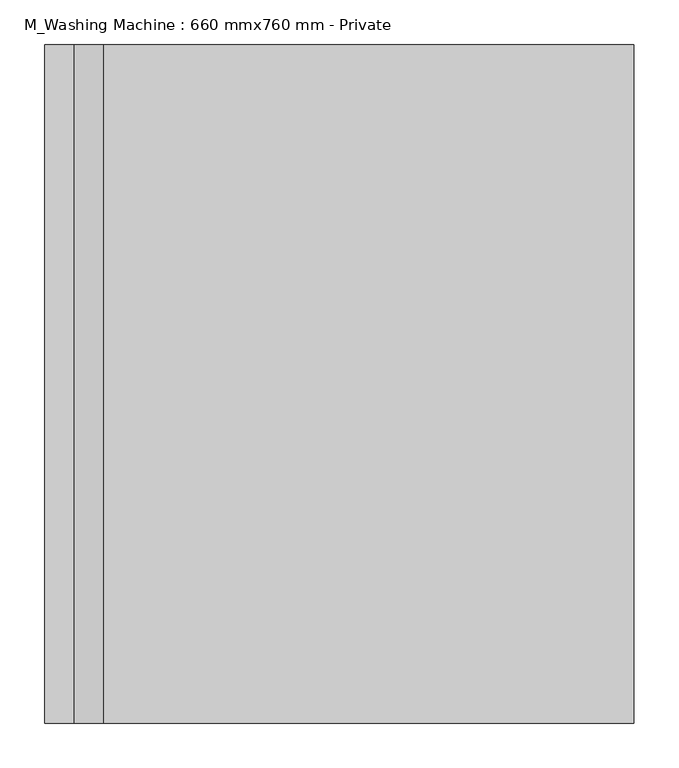
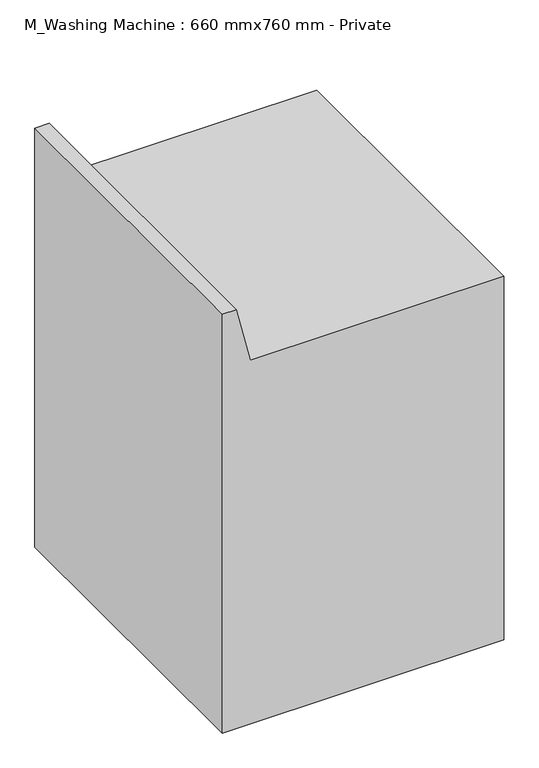
"""IFC4 building model written with IfcOpenShell, lengths in millimetres: flow terminal geometry, M_Washing Machine : 660 mmx760 mm - Private."""

from ifc_helpers import new_model, si_unit, frame, origin, place, context, project, spatial, polyline, outline, extrude, source, transform, mapped, element, save


def m_washing_machine_660_mmx760_mm_private_8f6aecf8(model_context):
    return source(origin(), model_context, "Body", "SweptSolid", [
        extrude(outline(polyline([(0.0, 660.0), (900.0, 660.0), (900.0, 65.88125), (1037.31875, 33.3375), (1037.31875, 0.0), (0.0, 0.0), (0.0, 660.0)])), frame((0.0, -380.0, 0.0), z_axis=(0.0, 1.0, 0.0), x_axis=(0.0, 0.0, 1.0)), (0.0, 0.0, 1.0), 760.0),
    ])


if __name__ == "__main__":
    model = new_model("IFC4")
    model_context = context("Model", 3, world=origin())
    ifc_project = project(units=[si_unit("LENGTHUNIT", "METRE", prefix="MILLI")], contexts=[model_context])
    site = spatial("IfcSite", under=ifc_project)
    building = spatial("IfcBuilding", under=site)
    placement = place(None, origin())
    m_washing_machine_660_mmx760_mm_private_shape = m_washing_machine_660_mmx760_mm_private_8f6aecf8(model_context)
    element("IfcFlowTerminal", 1, ObjectType="M_Washing Machine : 660 mmx760 mm - Private", at=placement, inside=building, context=model_context, shape_type="MappedRepresentation", body=[
        mapped(m_washing_machine_660_mmx760_mm_private_shape, transform((0.0, 0.0, 0.0), x_axis=(1.0, 0.0, 0.0), y_axis=(0.0, 1.0, 0.0), z_axis=(0.0, 0.0, 1.0))),
    ])
    save(model, "model.ifc")
